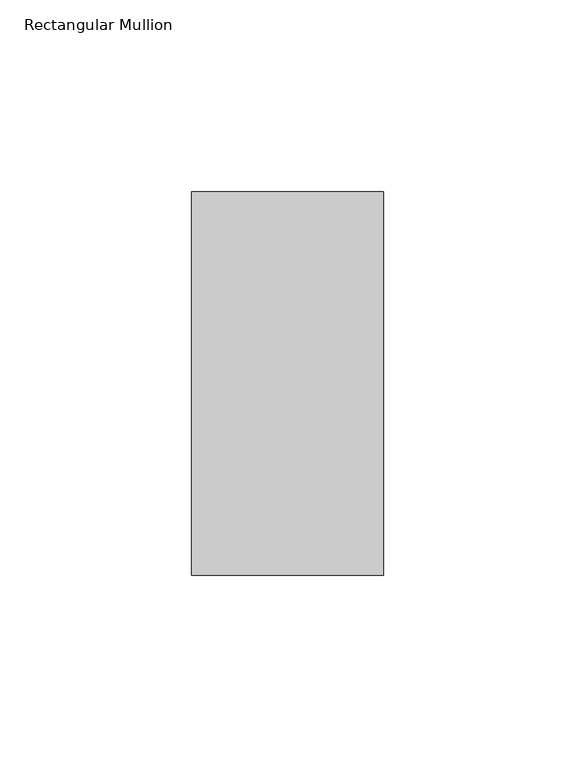
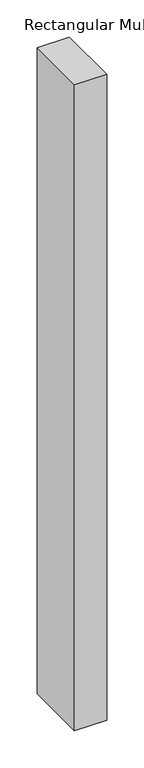
"""IFC4 building model written with IfcOpenShell, lengths in millimetres: member geometry, Rectangular Mullion."""

import ifcopenshell
import ifcopenshell.guid

model = None  # the IFC model being written
_history = None  # IfcOwnerHistory: only IFC2X3 demands one
_inside = {}  # id of a spatial element -> (the spatial element, [elements in it])
_under = {}  # id of a project, library or spatial element -> (it, [spatial elements below it])
_declared = {}  # id of a project -> (the project, [libraries it declares])
_typed = {}  # id of a type object -> (the type object, [elements of that type])
_made_of = {}  # id of a material, layer set ... -> (it, [elements and type objects made of it])


def new_model(schema):
    """Start an empty IFC model of exactly this schema.

    Asked for "IFC4X3", IfcOpenShell would pick the latest addendum, in which some entities
    have other attributes; the version numbers below select the first issue.
    IFC2X3 requires an IfcOwnerHistory on every rooted entity: one is made here for all.
    """
    global model, _history
    if schema == "IFC4X3":
        model = ifcopenshell.file(schema_version=(4, 3, 0, 0))
    else:
        model = ifcopenshell.file(schema=schema)
    _inside.clear()
    _under.clear()
    _declared.clear()
    _typed.clear()
    _made_of.clear()
    _history = None
    if model.schema == "IFC2X3":
        org = make("IfcOrganization", Name="unknown")
        user = make(
            "IfcPersonAndOrganization",
            ThePerson=make("IfcPerson", FamilyName="unknown"),
            TheOrganization=org,
        )
        app = make(
            "IfcApplication",
            ApplicationDeveloper=org,
            Version="unknown",
            ApplicationFullName="unknown",
            ApplicationIdentifier="unknown",
        )
        _history = make(
            "IfcOwnerHistory",
            OwningUser=user,
            OwningApplication=app,
            ChangeAction="ADDED",
            CreationDate=0,
        )
    return model


def make(cls, **values):
    """One entity of the class cls with the attributes given. An attribute that is None is left unset."""
    return model.create_entity(
        cls, **{name: value for name, value in values.items() if value is not None}
    )


def rooted(cls, **values):
    """An entity with a GlobalId (a new one), such as an element, a storey or a relation."""
    return make(cls, GlobalId=ifcopenshell.guid.new(), OwnerHistory=_history, **values)


def si_unit(unit_type, name, prefix=None):
    """IfcSIUnit, for example si_unit("LENGTHUNIT", "METRE", prefix="MILLI")."""
    return make("IfcSIUnit", UnitType=unit_type, Prefix=prefix, Name=name)


def assignment(units):
    """IfcUnitAssignment: the units of a project."""
    return None if units is None else make("IfcUnitAssignment", Units=units)


def point(xyz):
    """IfcCartesianPoint."""
    return None if xyz is None else make("IfcCartesianPoint", Coordinates=xyz)


def direction(xyz):
    """IfcDirection."""
    return None if xyz is None else make("IfcDirection", DirectionRatios=xyz)


def frame(location, z_axis=None, x_axis=None):
    """IfcAxis2Placement3D, a coordinate frame: its origin and axes. An axis left out is left unset."""
    return make(
        "IfcAxis2Placement3D",
        Location=point(location),
        Axis=direction(z_axis),
        RefDirection=direction(x_axis),
    )


def origin():
    """The frame at (0, 0, 0) with its axes left unset."""
    return frame((0.0, 0.0, 0.0))


def place(relative_to, where):
    """IfcLocalPlacement: puts the frame where relative to a parent placement (None: the world)."""
    return make(
        "IfcLocalPlacement", PlacementRelTo=relative_to, RelativePlacement=where
    )


def context(
    kind, dimensions, precision=None, world=None, true_north=None, identifier=None
):
    """IfcGeometricRepresentationContext, for example the 3D "Model" context."""
    return make(
        "IfcGeometricRepresentationContext",
        ContextIdentifier=identifier,
        ContextType=kind,
        CoordinateSpaceDimension=dimensions,
        Precision=precision,
        WorldCoordinateSystem=world,
        TrueNorth=true_north,
    )


def project(units=None, contexts=None):
    """IfcProject with its units and contexts."""
    return rooted(
        "IfcProject",
        Name="project",
        RepresentationContexts=contexts,
        UnitsInContext=assignment(units),
    )


def spatial(cls, under=None, at=None, **own):
    """A site, building, storey or space (cls), placed at a placement, below another one or the project."""
    s = rooted(cls, ObjectPlacement=at, **own)
    if under is not None:
        _under.setdefault(under.id(), (under, []))[1].append(s)
    return s


def polyline(points):
    """IfcPolyline through the points."""
    return make("IfcPolyline", Points=[point(p) for p in points])


def outline(outer, holes=None, kind="AREA"):
    """IfcArbitraryClosedProfileDef: a profile drawn as a closed curve; with holes, ...WithVoids."""
    if holes is None:
        return make("IfcArbitraryClosedProfileDef", ProfileType=kind, OuterCurve=outer)
    return make(
        "IfcArbitraryProfileDefWithVoids",
        ProfileType=kind,
        OuterCurve=outer,
        InnerCurves=holes,
    )


def extrude(swept, where, along, depth):
    """IfcExtrudedAreaSolid: the profile swept, set in the frame where, extruded along a direction by depth."""
    return make(
        "IfcExtrudedAreaSolid",
        SweptArea=swept,
        Position=where,
        ExtrudedDirection=direction(along),
        Depth=depth,
    )


def shape(context_of_items, identifier, shape_type, items):
    """IfcShapeRepresentation: the items that make up one representation, for example the "Body"."""
    return make(
        "IfcShapeRepresentation",
        ContextOfItems=context_of_items,
        RepresentationIdentifier=identifier,
        RepresentationType=shape_type,
        Items=items,
    )


def source(mapping_origin, context_of_items, identifier, shape_type, items):
    """IfcRepresentationMap: a shape defined once, which mapped items show again and again."""
    return make(
        "IfcRepresentationMap",
        MappingOrigin=mapping_origin,
        MappedRepresentation=shape(context_of_items, identifier, shape_type, items),
    )


def transform(
    local_origin,
    x_axis=None,
    y_axis=None,
    z_axis=None,
    scale=None,
    scale2=None,
    scale3=None,
    uniform=True,
):
    """IfcCartesianTransformationOperator3D, or its non-uniform kind. x_axis, y_axis, z_axis: its Axis1, 2, 3."""
    if uniform:
        return make(
            "IfcCartesianTransformationOperator3D",
            Axis1=direction(x_axis),
            Axis2=direction(y_axis),
            LocalOrigin=point(local_origin),
            Scale=scale,
            Axis3=direction(z_axis),
        )
    return make(
        "IfcCartesianTransformationOperator3DnonUniform",
        Axis1=direction(x_axis),
        Axis2=direction(y_axis),
        LocalOrigin=point(local_origin),
        Scale=scale,
        Axis3=direction(z_axis),
        Scale2=scale2,
        Scale3=scale3,
    )


def mapped(mapping_source, mapping_target):
    """IfcMappedItem: shows the shape of a source again, moved by a transform."""
    return make(
        "IfcMappedItem", MappingSource=mapping_source, MappingTarget=mapping_target
    )


def made_of(thing, what):
    """Note that an element or type object is made of a material, layer set ...; save() writes the relation."""
    if what is not None:
        _made_of.setdefault(what.id(), (what, []))[1].append(thing)
    return thing


def element(
    cls,
    number,
    at=None,
    inside=None,
    cuts=None,
    type_object=None,
    material=None,
    context=None,
    identifier="Body",
    shape_type=None,
    held_by="IfcProductDefinitionShape",
    body=None,
    shapes=None,
    **own,
):
    """One element of the class cls, such as IfcWall. Its Tag is "e" and its number.

    at: its placement. inside: the storey or other place that contains it. cuts: it is an
    opening in that element (IfcRelVoidsElement). A single representation is given by context,
    identifier, shape_type and body (its items); several are given by shapes. held_by: the class
    of the entity that holds the representations. save() writes the other relations.
    """
    e = rooted(cls, Tag="e%d" % number, ObjectPlacement=at, **own)
    if body is not None:
        shapes = [shape(context, identifier, shape_type, body)]
    if shapes is not None:
        e.Representation = make(held_by, Representations=shapes)
    if inside is not None:
        _inside.setdefault(inside.id(), (inside, []))[1].append(e)
    if cuts is not None:
        rooted(
            "IfcRelVoidsElement", RelatingBuildingElement=cuts, RelatedOpeningElement=e
        )
    if type_object is not None:
        _typed.setdefault(type_object.id(), (type_object, []))[1].append(e)
    return made_of(e, material)


def aggregate(whole, parts):
    """IfcRelAggregates: a whole, such as a stair, and the parts it consists of."""
    return rooted("IfcRelAggregates", RelatingObject=whole, RelatedObjects=parts)


def save(model, path):
    """Write the relations noted so far, then the file.

    IfcRelAggregates (storeys below a building ...), IfcRelContainedInSpatialStructure (elements
    in a storey), IfcRelDefinesByType, IfcRelAssociatesMaterial and IfcRelDeclares: one each for
    every whole, place, type object, material and project.
    """
    for whole, parts in _under.values():
        aggregate(whole, parts)
    for where, things in _inside.values():
        rooted(
            "IfcRelContainedInSpatialStructure",
            RelatedElements=things,
            RelatingStructure=where,
        )
    for kind, things in _typed.values():
        rooted("IfcRelDefinesByType", RelatedObjects=things, RelatingType=kind)
    for what, things in _made_of.values():
        rooted("IfcRelAssociatesMaterial", RelatedObjects=things, RelatingMaterial=what)
    for by, libraries in _declared.values():
        rooted("IfcRelDeclares", RelatingContext=by, RelatedDefinitions=libraries)
    model.write(path)


def rectangular_mullion_b619b933(model_context):
    return source(origin(), model_context, "Body", "SweptSolid", [
        extrude(outline(polyline([(0.0, 31.0), (0.0, -69.0), (-50.0, -69.0), (-50.0, 31.0), (0.0, 31.0)])), frame((0.0, 0.0, -1060.0), z_axis=(0.0, 0.0, 1.0), x_axis=(1.0, 0.0, 0.0)), (0.0, 0.0, 1.0), 1060.0),
    ])


if __name__ == "__main__":
    model = new_model("IFC4")
    model_context = context("Model", 3, world=origin())
    ifc_project = project(units=[si_unit("LENGTHUNIT", "METRE", prefix="MILLI")], contexts=[model_context])
    site = spatial("IfcSite", under=ifc_project)
    building = spatial("IfcBuilding", under=site)
    placement = place(None, origin())
    rectangular_mullion_shape = rectangular_mullion_b619b933(model_context)
    element("IfcMember", 1, ObjectType="Rectangular Mullion", at=placement, inside=building, context=model_context, shape_type="MappedRepresentation", body=[
        mapped(rectangular_mullion_shape, transform((0.0, 0.0, 0.0), x_axis=(1.0, 0.0, 0.0), y_axis=(0.0, 1.0, 0.0), z_axis=(0.0, 0.0, 1.0))),
    ])
    save(model, "model.ifc")
